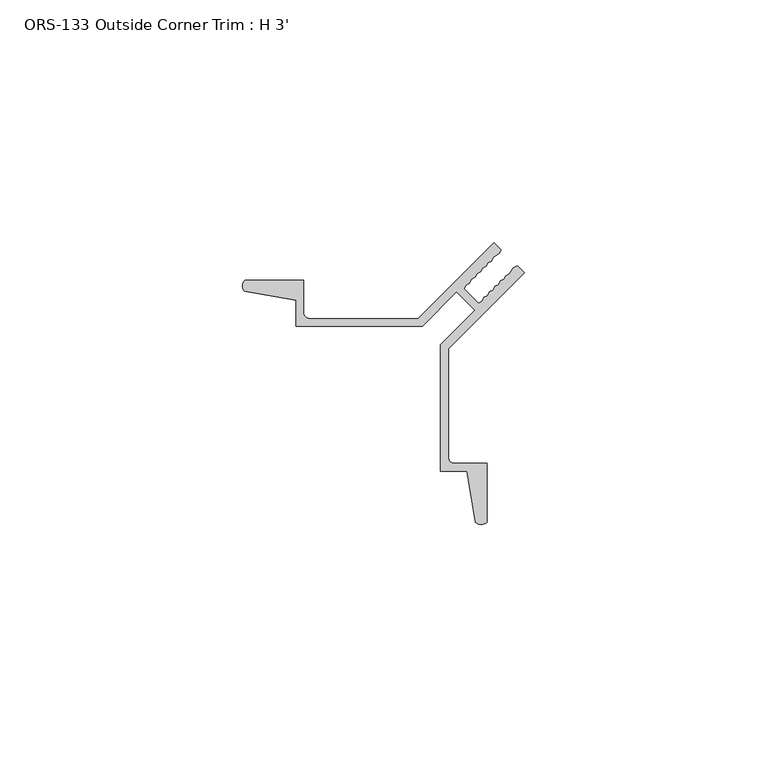
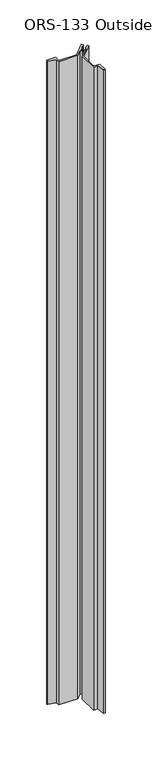
"""IFC4 building model written with IfcOpenShell, lengths in millimetres: proxy geometry, ORS-133 Outside Corner Trim : H 3'."""

from ifc_helpers import new_model, si_unit, frame, origin, place, context, project, spatial, polyline, circle_curve, source, transform, mapped, element, save
from ifc_brep_helpers import plane_surface, cylinder_surface, revolved_surface, advanced_brep


def ors_133_outside_corner_trim_h_3_456e32b3(model_context):
    return source(origin(), model_context, "Body", "AdvancedBrep", [
        advanced_brep(
        [(0.4587433, 48.0794832, 914.4), (11.0348302, 46.2685091, 914.4), (11.0348302, 40.8758522, 914.4), (37.0871336, 40.8758522, 914.4), (44.1418167, 47.9305343, 914.4), (46.0361754, 46.0361755, 914.4), (47.9305341, 44.1418167, 914.4), (40.875851, 37.087134, 914.4), (40.875851, 11.0348304, 914.4), (46.2685074, 11.0348304, 914.4), (48.079481, 0.4587434, 914.4), (50.4008502, 0.5248271, 914.4), (50.4008502, 12.6096302, 914.4), (43.7206505, 12.6096302, 914.4), (42.4506505, 13.8796304, 914.4), (42.4506505, 36.2115882, 914.4), (58.1000422, 51.8609787, 914.4), (56.6508383, 53.3101827, 914.4), (55.9184655, 52.9370202, 914.4), (55.0416911, 51.7010357, 914.4), (54.3093183, 51.3278731, 914.4), (53.933741, 50.5930856, 914.4), (53.2013682, 50.2199231, 914.4), (52.7935114, 49.452856, 914.4), (52.0611386, 49.0796935, 914.4), (51.6532818, 48.3126264, 914.4), (50.9209089, 47.9394639, 914.4), (50.5130521, 47.1723968, 914.4), (49.7806793, 46.7992343, 914.4), (49.3728225, 46.0321673, 914.4), (48.6404496, 45.6590047, 914.4), (45.6590047, 48.6404498, 914.4), (46.0321673, 49.3728226, 914.4), (46.7992343, 49.7806794, 914.4), (47.1723969, 50.5130522, 914.4), (47.939464, 50.920909, 914.4), (48.3126266, 51.6532818, 914.4), (49.0796936, 52.0611386, 914.4), (49.4528562, 52.7935114, 914.4), (50.2199233, 53.2013682, 914.4), (50.5930858, 53.933741, 914.4), (51.3278734, 54.3093182, 914.4), (51.7010359, 55.041691, 914.4), (52.9370205, 55.9184653, 914.4), (53.3101831, 56.6508381, 914.4), (51.8578785, 58.1031427, 914.4), (36.2053867, 42.4506516, 914.4), (13.8796301, 42.4506516, 914.4), (12.6096301, 43.7206521, 914.4), (12.6096301, 50.4008521, 914.4), (0.5248269, 50.4008521, 914.4), (0.4587433, 48.0794832, 0.0), (0.5248269, 50.4008521, 0.0), (12.6096301, 50.4008521, 0.0), (12.6096301, 43.7206521, 0.0), (13.8796301, 42.4506521, 0.0), (36.2053867, 42.4506516, 0.0), (51.8578785, 58.1031427, 0.0), (53.3101831, 56.6508381, 0.0), (52.9370205, 55.9184653, 0.0), (51.7010359, 55.041691, 0.0), (51.3278734, 54.3093182, 0.0), (50.5930858, 53.933741, 0.0), (50.2199233, 53.2013682, 0.0), (49.4528562, 52.7935114, 0.0), (49.0796936, 52.0611386, 0.0), (48.3126266, 51.6532818, 0.0), (47.939464, 50.920909, 0.0), (47.1723969, 50.5130522, 0.0), (46.7992343, 49.7806794, 0.0), (46.0321673, 49.3728226, 0.0), (45.6590047, 48.6404498, 0.0), (48.6404496, 45.6590047, 0.0), (49.3728225, 46.0321673, 0.0), (49.7806793, 46.7992343, 0.0), (50.5130521, 47.1723968, 0.0), (50.9209089, 47.9394639, 0.0), (51.6532818, 48.3126264, 0.0), (52.0611386, 49.0796935, 0.0), (52.7935114, 49.452856, 0.0), (53.2013682, 50.2199231, 0.0), (53.933741, 50.5930856, 0.0), (54.3093183, 51.3278731, 0.0), (55.0416911, 51.7010357, 0.0), (55.9184655, 52.9370202, 0.0), (56.6508383, 53.3101827, 0.0), (58.1000422, 51.8609787, 0.0), (42.4506505, 36.2115882, 0.0), (42.4506505, 13.8796304, 0.0), (43.7206505, 12.6096304, 0.0), (50.4008502, 12.6096302, 0.0), (50.4008502, 0.5248271, 0.0), (48.079481, 0.4587434, 0.0), (46.2685074, 11.0348304, 0.0), (40.875851, 11.0348304, 0.0), (40.875851, 37.087134, 0.0), (47.9305341, 44.1418167, 0.0), (46.0361754, 46.0361755, 0.0), (44.1418167, 47.9305343, 0.0), (37.0871336, 40.8758522, 0.0), (11.0348302, 40.8758522, 0.0), (11.0348302, 46.2685091, 0.0)],
        [
            (0, 1),
            (1, 2),
            (2, 3),
            (3, 4),
            (4, 5),
            (5, 6),
            (6, 7),
            (7, 8),
            (8, 9),
            (9, 10),
            (10, 11, circle_curve(frame((49.2081738, 1.6155848, 914.4), z_axis=(0.0, 0.0, 1.0), x_axis=(1.0, 0.0, 0.0)), 1.6162393)),
            (11, 12),
            (12, 13),
            (13, 14, circle_curve(frame((43.7206505, 13.8796304, 914.4), z_axis=(0.0, 0.0, -1.0), x_axis=(1.0, 0.0, 0.0)), 1.27)),
            (14, 15),
            (15, 16),
            (16, 17),
            (17, 18),
            (18, 19),
            (19, 20),
            (20, 21),
            (21, 22),
            (22, 23),
            (23, 24),
            (24, 25),
            (25, 26),
            (26, 27),
            (27, 28),
            (28, 29),
            (29, 30),
            (30, 31),
            (31, 32),
            (32, 33),
            (33, 34),
            (34, 35),
            (35, 36),
            (36, 37),
            (37, 38),
            (38, 39),
            (39, 40),
            (40, 41),
            (41, 42),
            (42, 43),
            (43, 44),
            (44, 45),
            (45, 46),
            (46, 47),
            (47, 48, circle_curve(frame((13.8796301, 43.7206521, 914.4), z_axis=(0.0, 0.0, -1.0), x_axis=(1.0, 0.0, 0.0)), 1.27)),
            (48, 49),
            (49, 50),
            (50, 0, circle_curve(frame((1.6155848, 49.2081759, 914.4), z_axis=(0.0, 0.0, 1.0), x_axis=(1.0, 0.0, 0.0)), 1.6162393)),
            (51, 52, circle_curve(frame((1.6155848, 49.2081759, 0.0), z_axis=(0.0, 0.0, -1.0), x_axis=(1.0, 0.0, 0.0)), 1.6162393)),
            (52, 53),
            (53, 54),
            (54, 55, circle_curve(frame((13.8796301, 43.7206521, 0.0), z_axis=(0.0, 0.0, 1.0), x_axis=(1.0, 0.0, 0.0)), 1.27)),
            (55, 56),
            (56, 57),
            (57, 58),
            (58, 59),
            (59, 60),
            (60, 61),
            (61, 62),
            (62, 63),
            (63, 64),
            (64, 65),
            (65, 66),
            (66, 67),
            (67, 68),
            (68, 69),
            (69, 70),
            (70, 71),
            (71, 72),
            (72, 73),
            (73, 74),
            (74, 75),
            (75, 76),
            (76, 77),
            (77, 78),
            (78, 79),
            (79, 80),
            (80, 81),
            (81, 82),
            (82, 83),
            (83, 84),
            (84, 85),
            (85, 86),
            (86, 87),
            (87, 88),
            (88, 89, circle_curve(frame((43.7206505, 13.8796304, 0.0), z_axis=(0.0, 0.0, 1.0), x_axis=(1.0, 0.0, 0.0)), 1.27)),
            (89, 90),
            (90, 91),
            (91, 92, circle_curve(frame((49.2081738, 1.6155848, 0.0), z_axis=(0.0, 0.0, -1.0), x_axis=(1.0, 0.0, 0.0)), 1.6162393)),
            (92, 93),
            (93, 94),
            (94, 95),
            (95, 96),
            (96, 97),
            (97, 98),
            (98, 99),
            (99, 100),
            (100, 101),
            (101, 51),
            (0, 51),
            (101, 1),
            (100, 2),
            (99, 3),
            (98, 4),
            (97, 5),
            (96, 6),
            (95, 7),
            (94, 8),
            (93, 9),
            (92, 10),
            (91, 11),
            (90, 12),
            (89, 13),
            (88, 14),
            (87, 15),
            (86, 16),
            (85, 17),
            (84, 18),
            (83, 19),
            (82, 20),
            (81, 21),
            (80, 22),
            (79, 23),
            (78, 24),
            (77, 25),
            (76, 26),
            (75, 27),
            (74, 28),
            (73, 29),
            (72, 30),
            (71, 31),
            (70, 32),
            (69, 33),
            (68, 34),
            (67, 35),
            (66, 36),
            (65, 37),
            (64, 38),
            (63, 39),
            (62, 40),
            (61, 41),
            (60, 42),
            (59, 43),
            (58, 44),
            (57, 45),
            (56, 46),
            (55, 47),
            (54, 48),
            (53, 49),
            (52, 50),
        ],
        [
            plane_surface(frame((0.4587433, 48.0794832, 914.4), z_axis=(0.0, 0.0, 1.0), x_axis=(0.985654355603023, -0.1687764535733278, 0.0))),
            plane_surface(frame((0.4587433, 48.0794832, 0.0), z_axis=(0.0, 0.0, -1.0), x_axis=(-0.985654355603023, 0.1687764535733278, 0.0))),
            plane_surface(frame((0.4587433, 48.0794832, 914.4), z_axis=(-0.1687764535733278, -0.985654355603023, 0.0), x_axis=(0.0, 0.0, -1.0))),
            plane_surface(frame((11.0348302, 46.2685091, 914.4), z_axis=(-1.0, 0.0, 0.0), x_axis=(0.0, 0.0, -1.0))),
            plane_surface(frame((11.0348302, 40.8758522, 914.4), z_axis=(0.0, -1.0, 0.0), x_axis=(0.0, 0.0, -1.0))),
            plane_surface(frame((37.0871336, 40.8758522, 914.4), z_axis=(0.7071067359396574, -0.7071068264334348, 0.0), x_axis=(0.0, 0.0, -1.0))),
            plane_surface(frame((44.1418167, 47.9305343, 914.4), z_axis=(-0.707106797080899, -0.7071067652921958, 0.0), x_axis=(0.0, 0.0, -1.0))),
            plane_surface(frame((46.0361754, 46.0361755, 914.4), z_axis=(-0.7071067970807615, -0.7071067652923332, 0.0), x_axis=(0.0, 0.0, -1.0))),
            plane_surface(frame((47.9305341, 44.1418167, 914.4), z_axis=(-0.7071067652805612, 0.7071067970925337, 0.0), x_axis=(0.0, 0.0, -1.0))),
            plane_surface(frame((40.875851, 37.087134, 914.4), z_axis=(-1.0, 0.0, 0.0), x_axis=(0.0, 0.0, -1.0))),
            plane_surface(frame((40.875851, 11.0348304, 914.4), z_axis=(0.0, -1.0, 0.0), x_axis=(0.0, 0.0, -1.0))),
            plane_surface(frame((46.2685074, 11.0348304, 914.4), z_axis=(-0.9856543635172283, -0.16877640735436825, 0.0), x_axis=(0.0, 0.0, -1.0))),
            cylinder_surface(frame((49.2081738, 1.6155848, 0.0), z_axis=(0.0, 0.0, 1.0), x_axis=(1.0, 0.0, 0.0)), 1.6162393),
            plane_surface(frame((50.4008502, 0.5248271, 914.4), z_axis=(1.0, 0.0, 0.0), x_axis=(0.0, 0.0, -1.0))),
            plane_surface(frame((50.4008502, 12.6096302, 914.4), z_axis=(0.0, 1.0, 0.0), x_axis=(0.0, 0.0, -1.0))),
            revolved_surface(polyline([(44.9906505, 13.8796304, 0.0), (44.9906505, 13.8796304, 914.4)]), (43.7206505, 13.8796304, 0.0), (0.0, 0.0, -1.0)),
            plane_surface(frame((42.4506505, 13.8796304, 914.4), z_axis=(1.0, 0.0, 0.0), x_axis=(0.0, 0.0, -1.0))),
            plane_surface(frame((42.4506505, 36.2115882, 914.4), z_axis=(0.7071067537488306, -0.7071068086242634, 0.0), x_axis=(0.0, 0.0, -1.0))),
            plane_surface(frame((58.1000422, 51.8609787, 914.4), z_axis=(0.707106797075973, 0.7071067652971217, 0.0), x_axis=(0.0, 0.0, -1.0))),
            plane_surface(frame((56.6508383, 53.3101827, 914.4), z_axis=(-0.45399045967934204, 0.8910065446000607, 0.0), x_axis=(0.0, 0.0, -1.0))),
            plane_surface(frame((55.9184655, 52.9370202, 914.4), z_axis=(-0.8156242297200437, 0.5785819871838266, 0.0), x_axis=(0.0, 0.0, -1.0))),
            plane_surface(frame((55.0416911, 51.7010357, 914.4), z_axis=(-0.45399045967934154, 0.8910065446000609, 0.0), x_axis=(0.0, 0.0, -1.0))),
            plane_surface(frame((54.3093183, 51.3278731, 914.4), z_axis=(-0.8904252386503002, 0.4551295358187118, 0.0), x_axis=(0.0, 0.0, -1.0))),
            plane_surface(frame((53.933741, 50.5930856, 914.4), z_axis=(-0.4539904596793335, 0.8910065446000649, 0.0), x_axis=(0.0, 0.0, -1.0))),
            plane_surface(frame((53.2013682, 50.2199231, 914.4), z_axis=(-0.8829475717511822, 0.4694716024837827, 0.0), x_axis=(0.0, 0.0, -1.0))),
            plane_surface(frame((52.7935114, 49.452856, 914.4), z_axis=(-0.4539904596793374, 0.8910065446000629, 0.0), x_axis=(0.0, 0.0, -1.0))),
            plane_surface(frame((52.0611386, 49.0796935, 914.4), z_axis=(-0.8829475717511777, 0.4694716024837913, 0.0), x_axis=(0.0, 0.0, -1.0))),
            plane_surface(frame((51.6532818, 48.3126264, 914.4), z_axis=(-0.45399045967932955, 0.891006544600067, 0.0), x_axis=(0.0, 0.0, -1.0))),
            plane_surface(frame((50.9209089, 47.9394639, 914.4), z_axis=(-0.8829475717511782, 0.46947160248379033, 0.0), x_axis=(0.0, 0.0, -1.0))),
            plane_surface(frame((50.5130521, 47.1723968, 914.4), z_axis=(-0.4539904596793255, 0.891006544600069, 0.0), x_axis=(0.0, 0.0, -1.0))),
            plane_surface(frame((49.7806793, 46.7992343, 914.4), z_axis=(-0.8829475717511837, 0.46947160248378017, 0.0), x_axis=(0.0, 0.0, -1.0))),
            plane_surface(frame((49.3728225, 46.0321673, 914.4), z_axis=(-0.453990459679306, 0.891006544600079, 0.0), x_axis=(0.0, 0.0, -1.0))),
            plane_surface(frame((48.6404496, 45.6590047, 914.4), z_axis=(0.7071067980787158, 0.707106764294379, 0.0), x_axis=(0.0, 0.0, -1.0))),
            plane_surface(frame((45.6590047, 48.6404498, 914.4), z_axis=(0.8910065241883697, -0.4539904997395433, 0.0), x_axis=(0.0, 0.0, -1.0))),
            plane_surface(frame((46.0321673, 49.3728226, 914.4), z_axis=(0.469471562785886, -0.8829475928589295, 0.0), x_axis=(0.0, 0.0, -1.0))),
            plane_surface(frame((46.7992343, 49.7806794, 914.4), z_axis=(0.8910065241883616, -0.4539904997395594, 0.0), x_axis=(0.0, 0.0, -1.0))),
            plane_surface(frame((47.1723969, 50.5130522, 914.4), z_axis=(0.4694715627858931, -0.8829475928589258, 0.0), x_axis=(0.0, 0.0, -1.0))),
            plane_surface(frame((47.939464, 50.920909, 914.4), z_axis=(0.8910065241883616, -0.4539904997395594, 0.0), x_axis=(0.0, 0.0, -1.0))),
            plane_surface(frame((48.3126266, 51.6532818, 914.4), z_axis=(0.4694715627858931, -0.8829475928589258, 0.0), x_axis=(0.0, 0.0, -1.0))),
            plane_surface(frame((49.0796936, 52.0611386, 914.4), z_axis=(0.8910065241883575, -0.4539904997395672, 0.0), x_axis=(0.0, 0.0, -1.0))),
            plane_surface(frame((49.4528562, 52.7935114, 914.4), z_axis=(0.4694715627858891, -0.882947592858928, 0.0), x_axis=(0.0, 0.0, -1.0))),
            plane_surface(frame((50.2199233, 53.2013682, 914.4), z_axis=(0.8910065241883575, -0.4539904997395672, 0.0), x_axis=(0.0, 0.0, -1.0))),
            plane_surface(frame((50.5930858, 53.933741, 914.4), z_axis=(0.45512949578461026, -0.8904252591132208, 0.0), x_axis=(0.0, 0.0, -1.0))),
            plane_surface(frame((51.3278734, 54.3093182, 914.4), z_axis=(0.8910065241883575, -0.4539904997395672, 0.0), x_axis=(0.0, 0.0, -1.0))),
            plane_surface(frame((51.7010359, 55.041691, 914.4), z_axis=(0.5785819505128309, -0.8156242557334648, 0.0), x_axis=(0.0, 0.0, -1.0))),
            plane_surface(frame((52.9370205, 55.9184653, 914.4), z_axis=(0.8910065241883572, -0.4539904997395677, 0.0), x_axis=(0.0, 0.0, -1.0))),
            plane_surface(frame((53.3101831, 56.6508381, 914.4), z_axis=(0.7071067959042094, 0.7071067664688854, 0.0), x_axis=(0.0, 0.0, -1.0))),
            plane_surface(frame((51.8578785, 58.1031427, 914.4), z_axis=(-0.7071067652897347, 0.7071067970833601, 0.0), x_axis=(0.0, 0.0, -1.0))),
            plane_surface(frame((36.2053867, 42.4506516, 914.4), z_axis=(0.0, 1.0, 0.0), x_axis=(0.0, 0.0, -1.0))),
            revolved_surface(polyline([(15.1496301, 43.7206521, 0.0), (15.1496301, 43.7206521, 914.4)]), (13.8796301, 43.7206521, 0.0), (0.0, 0.0, -1.0)),
            plane_surface(frame((12.6096301, 43.7206521, 914.4), z_axis=(1.0, 0.0, 0.0), x_axis=(0.0, 0.0, -1.0))),
            plane_surface(frame((12.6096301, 50.4008521, 914.4), z_axis=(0.0, 1.0, 0.0), x_axis=(0.0, 0.0, -1.0))),
            cylinder_surface(frame((1.6155848, 49.2081759, 0.0), z_axis=(0.0, 0.0, 1.0), x_axis=(1.0, 0.0, 0.0)), 1.6162393),
        ],
        [
            (0, [[1, 2, 3, 4, 5, 6, 7, 8, 9, 10, 11, 12, 13, 14, 15, 16, 17, 18, 19, 20, 21, 22, 23, 24, 25, 26, 27, 28, 29, 30, 31, 32, 33, 34, 35, 36, 37, 38, 39, 40, 41, 42, 43, 44, 45, 46, 47, 48, 49, 50, 51]]),
            (1, [[52, 53, 54, 55, 56, 57, 58, 59, 60, 61, 62, 63, 64, 65, 66, 67, 68, 69, 70, 71, 72, 73, 74, 75, 76, 77, 78, 79, 80, 81, 82, 83, 84, 85, 86, 87, 88, 89, 90, 91, 92, 93, 94, 95, 96, 97, 98, 99, 100, 101, 102]]),
            (2, [[-1, 103, -102, 104]]),
            (3, [[-2, -104, -101, 105]]),
            (4, [[-3, -105, -100, 106]]),
            (5, [[-4, -106, -99, 107]]),
            (6, [[-5, -107, -98, 108]]),
            (7, [[-6, -108, -97, 109]]),
            (8, [[-7, -109, -96, 110]]),
            (9, [[-8, -110, -95, 111]]),
            (10, [[-9, -111, -94, 112]]),
            (11, [[-10, -112, -93, 113]]),
            (12, [[-11, -113, -92, 114]]),
            (13, [[-12, -114, -91, 115]]),
            (14, [[-13, -115, -90, 116]]),
            (15, [[-14, -116, -89, 117]]),
            (16, [[-15, -117, -88, 118]]),
            (17, [[-16, -118, -87, 119]]),
            (18, [[-17, -119, -86, 120]]),
            (19, [[-18, -120, -85, 121]]),
            (20, [[-19, -121, -84, 122]]),
            (21, [[-20, -122, -83, 123]]),
            (22, [[-21, -123, -82, 124]]),
            (23, [[-22, -124, -81, 125]]),
            (24, [[-23, -125, -80, 126]]),
            (25, [[-24, -126, -79, 127]]),
            (26, [[-25, -127, -78, 128]]),
            (27, [[-26, -128, -77, 129]]),
            (28, [[-27, -129, -76, 130]]),
            (29, [[-28, -130, -75, 131]]),
            (30, [[-29, -131, -74, 132]]),
            (31, [[-30, -132, -73, 133]]),
            (32, [[-31, -133, -72, 134]]),
            (33, [[-32, -134, -71, 135]]),
            (34, [[-33, -135, -70, 136]]),
            (35, [[-34, -136, -69, 137]]),
            (36, [[-35, -137, -68, 138]]),
            (37, [[-36, -138, -67, 139]]),
            (38, [[-37, -139, -66, 140]]),
            (39, [[-38, -140, -65, 141]]),
            (40, [[-39, -141, -64, 142]]),
            (41, [[-40, -142, -63, 143]]),
            (42, [[-41, -143, -62, 144]]),
            (43, [[-42, -144, -61, 145]]),
            (44, [[-43, -145, -60, 146]]),
            (45, [[-44, -146, -59, 147]]),
            (46, [[-45, -147, -58, 148]]),
            (47, [[-46, -148, -57, 149]]),
            (48, [[-47, -149, -56, 150]]),
            (49, [[-48, -150, -55, 151]]),
            (50, [[-49, -151, -54, 152]]),
            (51, [[-50, -152, -53, 153]]),
            (52, [[-51, -153, -52, -103]]),
        ],
    ),
    ])


if __name__ == "__main__":
    model = new_model("IFC4")
    model_context = context("Model", 3, world=origin())
    ifc_project = project(units=[si_unit("LENGTHUNIT", "METRE", prefix="MILLI")], contexts=[model_context])
    site = spatial("IfcSite", under=ifc_project)
    building = spatial("IfcBuilding", under=site)
    placement = place(None, origin())
    ors_133_outside_corner_trim_h_3_shape = ors_133_outside_corner_trim_h_3_456e32b3(model_context)
    element("IfcBuildingElementProxy", 1, Name="ORS-133 Outside Corner Trim : H 3'", ObjectType="ORS-133 Outside Corner Trim : H 3'", at=placement, inside=building, context=model_context, shape_type="MappedRepresentation", body=[
        mapped(ors_133_outside_corner_trim_h_3_shape, transform((0.0, 0.0, 0.0), x_axis=(1.0, 0.0, 0.0), y_axis=(0.0, 1.0, 0.0), z_axis=(0.0, 0.0, 1.0))),
    ])
    save(model, "model.ifc")
